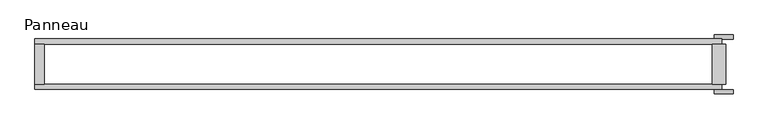
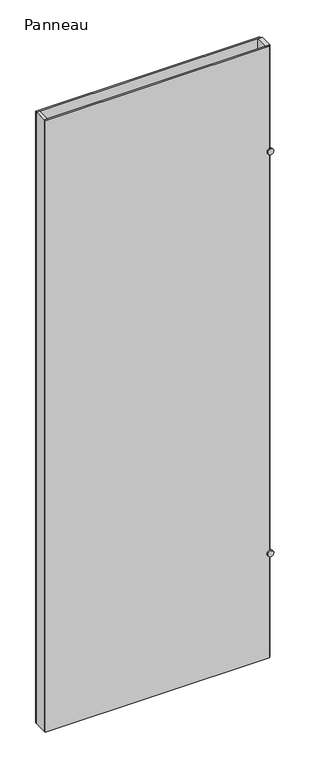
"""IFC4 building model written with IfcOpenShell, lengths in millimetres: plate geometry, Panneau."""

import ifcopenshell
import ifcopenshell.guid

model = None  # the IFC model being written
_history = None  # IfcOwnerHistory: only IFC2X3 demands one
_inside = {}  # id of a spatial element -> (the spatial element, [elements in it])
_under = {}  # id of a project, library or spatial element -> (it, [spatial elements below it])
_declared = {}  # id of a project -> (the project, [libraries it declares])
_typed = {}  # id of a type object -> (the type object, [elements of that type])
_made_of = {}  # id of a material, layer set ... -> (it, [elements and type objects made of it])


def new_model(schema):
    """Start an empty IFC model of exactly this schema.

    Asked for "IFC4X3", IfcOpenShell would pick the latest addendum, in which some entities
    have other attributes; the version numbers below select the first issue.
    IFC2X3 requires an IfcOwnerHistory on every rooted entity: one is made here for all.
    """
    global model, _history
    if schema == "IFC4X3":
        model = ifcopenshell.file(schema_version=(4, 3, 0, 0))
    else:
        model = ifcopenshell.file(schema=schema)
    _inside.clear()
    _under.clear()
    _declared.clear()
    _typed.clear()
    _made_of.clear()
    _history = None
    if model.schema == "IFC2X3":
        org = make("IfcOrganization", Name="unknown")
        user = make(
            "IfcPersonAndOrganization",
            ThePerson=make("IfcPerson", FamilyName="unknown"),
            TheOrganization=org,
        )
        app = make(
            "IfcApplication",
            ApplicationDeveloper=org,
            Version="unknown",
            ApplicationFullName="unknown",
            ApplicationIdentifier="unknown",
        )
        _history = make(
            "IfcOwnerHistory",
            OwningUser=user,
            OwningApplication=app,
            ChangeAction="ADDED",
            CreationDate=0,
        )
    return model


def make(cls, **values):
    """One entity of the class cls with the attributes given. An attribute that is None is left unset."""
    return model.create_entity(
        cls, **{name: value for name, value in values.items() if value is not None}
    )


def rooted(cls, **values):
    """An entity with a GlobalId (a new one), such as an element, a storey or a relation."""
    return make(cls, GlobalId=ifcopenshell.guid.new(), OwnerHistory=_history, **values)


def si_unit(unit_type, name, prefix=None):
    """IfcSIUnit, for example si_unit("LENGTHUNIT", "METRE", prefix="MILLI")."""
    return make("IfcSIUnit", UnitType=unit_type, Prefix=prefix, Name=name)


def assignment(units):
    """IfcUnitAssignment: the units of a project."""
    return None if units is None else make("IfcUnitAssignment", Units=units)


def point(xyz):
    """IfcCartesianPoint."""
    return None if xyz is None else make("IfcCartesianPoint", Coordinates=xyz)


def direction(xyz):
    """IfcDirection."""
    return None if xyz is None else make("IfcDirection", DirectionRatios=xyz)


def frame(location, z_axis=None, x_axis=None):
    """IfcAxis2Placement3D, a coordinate frame: its origin and axes. An axis left out is left unset."""
    return make(
        "IfcAxis2Placement3D",
        Location=point(location),
        Axis=direction(z_axis),
        RefDirection=direction(x_axis),
    )


def frame_2d(location, x_axis=None):
    """IfcAxis2Placement2D, a coordinate frame in the plane: its origin and x axis."""
    return make(
        "IfcAxis2Placement2D", Location=point(location), RefDirection=direction(x_axis)
    )


def origin():
    """The frame at (0, 0, 0) with its axes left unset."""
    return frame((0.0, 0.0, 0.0))


def origin_with_axes():
    """The frame at (0, 0, 0) with the z axis (0, 0, 1) and the x axis (1, 0, 0) written out."""
    return frame((0.0, 0.0, 0.0), z_axis=(0.0, 0.0, 1.0), x_axis=(1.0, 0.0, 0.0))


def place(relative_to, where):
    """IfcLocalPlacement: puts the frame where relative to a parent placement (None: the world)."""
    return make(
        "IfcLocalPlacement", PlacementRelTo=relative_to, RelativePlacement=where
    )


def context(
    kind, dimensions, precision=None, world=None, true_north=None, identifier=None
):
    """IfcGeometricRepresentationContext, for example the 3D "Model" context."""
    return make(
        "IfcGeometricRepresentationContext",
        ContextIdentifier=identifier,
        ContextType=kind,
        CoordinateSpaceDimension=dimensions,
        Precision=precision,
        WorldCoordinateSystem=world,
        TrueNorth=true_north,
    )


def project(units=None, contexts=None):
    """IfcProject with its units and contexts."""
    return rooted(
        "IfcProject",
        Name="project",
        RepresentationContexts=contexts,
        UnitsInContext=assignment(units),
    )


def spatial(cls, under=None, at=None, **own):
    """A site, building, storey or space (cls), placed at a placement, below another one or the project."""
    s = rooted(cls, ObjectPlacement=at, **own)
    if under is not None:
        _under.setdefault(under.id(), (under, []))[1].append(s)
    return s


def polyline(points):
    """IfcPolyline through the points."""
    return make("IfcPolyline", Points=[point(p) for p in points])


def circle_curve(where, radius):
    """IfcCircle in the frame where."""
    return make("IfcCircle", Position=where, Radius=radius)


def trimmed(basis, trim1, trim2, sense, master):
    """IfcTrimmedCurve: the piece of a basis curve between two trims."""
    return make(
        "IfcTrimmedCurve",
        BasisCurve=basis,
        Trim1=trim1,
        Trim2=trim2,
        SenseAgreement=sense,
        MasterRepresentation=master,
    )


def segment(curve, same_sense, transition):
    """IfcCompositeCurveSegment."""
    return make(
        "IfcCompositeCurveSegment",
        Transition=transition,
        SameSense=same_sense,
        ParentCurve=curve,
    )


def composite_curve(segments, self_intersect=None):
    """IfcCompositeCurve: segments joined end to end."""
    return make("IfcCompositeCurve", Segments=segments, SelfIntersect=self_intersect)


def outline(outer, holes=None, kind="AREA"):
    """IfcArbitraryClosedProfileDef: a profile drawn as a closed curve; with holes, ...WithVoids."""
    if holes is None:
        return make("IfcArbitraryClosedProfileDef", ProfileType=kind, OuterCurve=outer)
    return make(
        "IfcArbitraryProfileDefWithVoids",
        ProfileType=kind,
        OuterCurve=outer,
        InnerCurves=holes,
    )


def extrude(swept, where, along, depth):
    """IfcExtrudedAreaSolid: the profile swept, set in the frame where, extruded along a direction by depth."""
    return make(
        "IfcExtrudedAreaSolid",
        SweptArea=swept,
        Position=where,
        ExtrudedDirection=direction(along),
        Depth=depth,
    )


def shape(context_of_items, identifier, shape_type, items):
    """IfcShapeRepresentation: the items that make up one representation, for example the "Body"."""
    return make(
        "IfcShapeRepresentation",
        ContextOfItems=context_of_items,
        RepresentationIdentifier=identifier,
        RepresentationType=shape_type,
        Items=items,
    )


def source(mapping_origin, context_of_items, identifier, shape_type, items):
    """IfcRepresentationMap: a shape defined once, which mapped items show again and again."""
    return make(
        "IfcRepresentationMap",
        MappingOrigin=mapping_origin,
        MappedRepresentation=shape(context_of_items, identifier, shape_type, items),
    )


def transform(
    local_origin,
    x_axis=None,
    y_axis=None,
    z_axis=None,
    scale=None,
    scale2=None,
    scale3=None,
    uniform=True,
):
    """IfcCartesianTransformationOperator3D, or its non-uniform kind. x_axis, y_axis, z_axis: its Axis1, 2, 3."""
    if uniform:
        return make(
            "IfcCartesianTransformationOperator3D",
            Axis1=direction(x_axis),
            Axis2=direction(y_axis),
            LocalOrigin=point(local_origin),
            Scale=scale,
            Axis3=direction(z_axis),
        )
    return make(
        "IfcCartesianTransformationOperator3DnonUniform",
        Axis1=direction(x_axis),
        Axis2=direction(y_axis),
        LocalOrigin=point(local_origin),
        Scale=scale,
        Axis3=direction(z_axis),
        Scale2=scale2,
        Scale3=scale3,
    )


def mapped(mapping_source, mapping_target):
    """IfcMappedItem: shows the shape of a source again, moved by a transform."""
    return make(
        "IfcMappedItem", MappingSource=mapping_source, MappingTarget=mapping_target
    )


def made_of(thing, what):
    """Note that an element or type object is made of a material, layer set ...; save() writes the relation."""
    if what is not None:
        _made_of.setdefault(what.id(), (what, []))[1].append(thing)
    return thing


def element(
    cls,
    number,
    at=None,
    inside=None,
    cuts=None,
    type_object=None,
    material=None,
    context=None,
    identifier="Body",
    shape_type=None,
    held_by="IfcProductDefinitionShape",
    body=None,
    shapes=None,
    **own,
):
    """One element of the class cls, such as IfcWall. Its Tag is "e" and its number.

    at: its placement. inside: the storey or other place that contains it. cuts: it is an
    opening in that element (IfcRelVoidsElement). A single representation is given by context,
    identifier, shape_type and body (its items); several are given by shapes. held_by: the class
    of the entity that holds the representations. save() writes the other relations.
    """
    e = rooted(cls, Tag="e%d" % number, ObjectPlacement=at, **own)
    if body is not None:
        shapes = [shape(context, identifier, shape_type, body)]
    if shapes is not None:
        e.Representation = make(held_by, Representations=shapes)
    if inside is not None:
        _inside.setdefault(inside.id(), (inside, []))[1].append(e)
    if cuts is not None:
        rooted(
            "IfcRelVoidsElement", RelatingBuildingElement=cuts, RelatedOpeningElement=e
        )
    if type_object is not None:
        _typed.setdefault(type_object.id(), (type_object, []))[1].append(e)
    return made_of(e, material)


def aggregate(whole, parts):
    """IfcRelAggregates: a whole, such as a stair, and the parts it consists of."""
    return rooted("IfcRelAggregates", RelatingObject=whole, RelatedObjects=parts)


def save(model, path):
    """Write the relations noted so far, then the file.

    IfcRelAggregates (storeys below a building ...), IfcRelContainedInSpatialStructure (elements
    in a storey), IfcRelDefinesByType, IfcRelAssociatesMaterial and IfcRelDeclares: one each for
    every whole, place, type object, material and project.
    """
    for whole, parts in _under.values():
        aggregate(whole, parts)
    for where, things in _inside.values():
        rooted(
            "IfcRelContainedInSpatialStructure",
            RelatedElements=things,
            RelatingStructure=where,
        )
    for kind, things in _typed.values():
        rooted("IfcRelDefinesByType", RelatedObjects=things, RelatingType=kind)
    for what, things in _made_of.values():
        rooted("IfcRelAssociatesMaterial", RelatedObjects=things, RelatingMaterial=what)
    for by, libraries in _declared.values():
        rooted("IfcRelDeclares", RelatingContext=by, RelatedDefinitions=libraries)
    model.write(path)


def panneau_1ff798d7(model_context):
    return source(origin(), model_context, "Body", "SweptSolid", [
        extrude(outline(composite_curve([segment(trimmed(circle_curve(frame_2d((500.0, 506.108201)), 14.0), [point((500.0, 492.108201))], [point((500.0, 520.108201))], False, "CARTESIAN"), True, "CONTINUOUS"), segment(trimmed(circle_curve(frame_2d((500.0, 506.108201)), 14.0), [point((500.0, 520.108201))], [point((500.0, 492.108201))], False, "CARTESIAN"), True, "CONTINUOUS")], self_intersect=False)), frame((0.0, 37.2, 0.0), z_axis=(0.0, 1.0, 0.0), x_axis=(0.0, 0.0, 1.0)), (0.0, 0.0, 1.0), 6.0),
        extrude(outline(composite_curve([segment(trimmed(circle_curve(frame_2d((2415.0, 506.108201)), 14.0), [point((2415.0, 492.108201))], [point((2415.0, 520.108201))], False, "CARTESIAN"), True, "CONTINUOUS"), segment(trimmed(circle_curve(frame_2d((2415.0, 506.108201)), 14.0), [point((2415.0, 520.108201))], [point((2415.0, 492.108201))], False, "CARTESIAN"), True, "CONTINUOUS")], self_intersect=False)), frame((0.0, 37.2, 0.0), z_axis=(0.0, 1.0, 0.0), x_axis=(0.0, 0.0, 1.0)), (0.0, 0.0, 1.0), 6.0),
        extrude(outline(composite_curve([segment(trimmed(circle_curve(frame_2d((2415.0, 506.108201)), 14.0), [point((2415.0, 492.108201))], [point((2415.0, 520.108201))], False, "CARTESIAN"), True, "CONTINUOUS"), segment(trimmed(circle_curve(frame_2d((2415.0, 506.108201)), 14.0), [point((2415.0, 520.108201))], [point((2415.0, 492.108201))], False, "CARTESIAN"), True, "CONTINUOUS")], self_intersect=False)), frame((0.0, -43.2, 0.0), z_axis=(0.0, 1.0, 0.0), x_axis=(0.0, 0.0, 1.0)), (0.0, 0.0, 1.0), 6.0),
        extrude(outline(composite_curve([segment(trimmed(circle_curve(frame_2d((500.0, 506.108201)), 14.0), [point((500.0, 492.108201))], [point((500.0, 520.108201))], False, "CARTESIAN"), True, "CONTINUOUS"), segment(trimmed(circle_curve(frame_2d((500.0, 506.108201)), 14.0), [point((500.0, 520.108201))], [point((500.0, 492.108201))], False, "CARTESIAN"), True, "CONTINUOUS")], self_intersect=False)), frame((0.0, -43.2, 0.0), z_axis=(0.0, 1.0, 0.0), x_axis=(0.0, 0.0, 1.0)), (0.0, 0.0, 1.0), 6.0),
        extrude(outline(polyline([(-495.108201, 29.2), (-495.108201, -29.2), (-509.108201, -29.2), (-509.108201, 29.2), (-495.108201, 29.2)])), origin_with_axes(), (0.0, 0.0, 1.0), 2915.0),
        extrude(outline(polyline([(509.108201, 29.2), (509.108201, -29.2), (489.108201, -29.2), (489.108201, 29.2), (509.108201, 29.2)])), origin_with_axes(), (0.0, 0.0, 1.0), 2915.0),
        extrude(outline(polyline([(503.108201, 29.2), (-509.108201, 29.2), (-509.108201, 37.2), (503.108201, 37.2), (503.108201, 29.2)])), origin_with_axes(), (0.0, 0.0, 1.0), 2915.0),
        extrude(outline(polyline([(-509.108201, -37.2), (-509.108201, -29.2), (503.108201, -29.2), (503.108201, -37.2), (-509.108201, -37.2)])), origin_with_axes(), (0.0, 0.0, 1.0), 2915.0),
    ])


if __name__ == "__main__":
    model = new_model("IFC4")
    model_context = context("Model", 3, world=origin())
    ifc_project = project(units=[si_unit("LENGTHUNIT", "METRE", prefix="MILLI")], contexts=[model_context])
    site = spatial("IfcSite", under=ifc_project)
    building = spatial("IfcBuilding", under=site)
    placement = place(None, origin())
    panneau_shape = panneau_1ff798d7(model_context)
    element("IfcPlate", 1, ObjectType="Panneau", at=placement, inside=building, context=model_context, shape_type="MappedRepresentation", body=[
        mapped(panneau_shape, transform((0.0, 0.0, 0.0), x_axis=(1.0, 0.0, 0.0), y_axis=(0.0, 1.0, 0.0), z_axis=(0.0, 0.0, 1.0))),
    ])
    save(model, "model.ifc")
